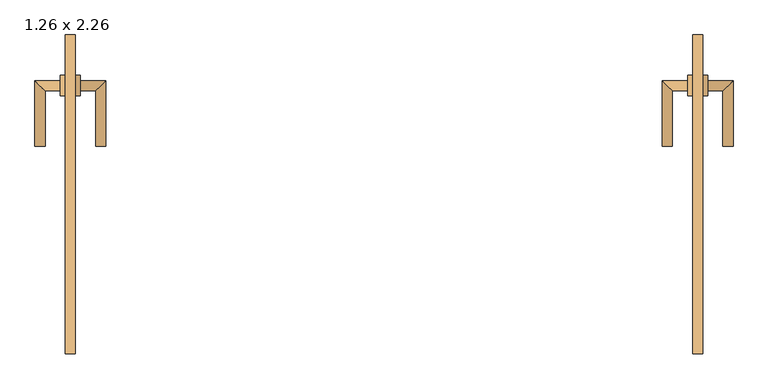
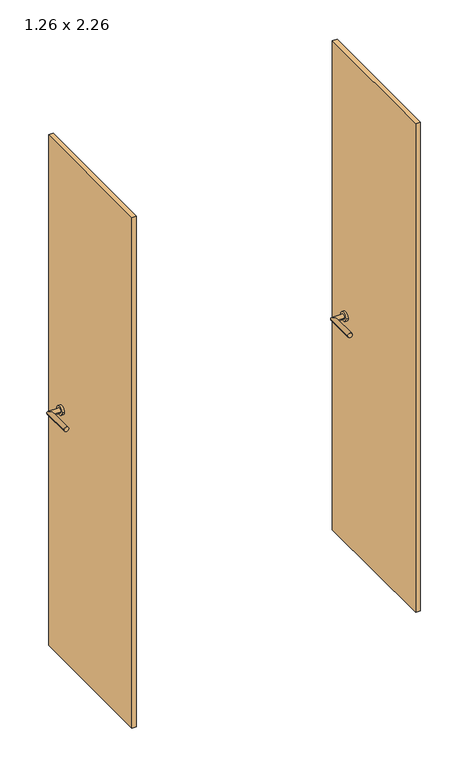
"""IFC4 building model written with IfcOpenShell, lengths in millimetres: door geometry, 1.26 x 2.26."""

from ifc_helpers import new_model, si_unit, point, frame, frame_2d, origin, origin_with_axes, place, context, project, spatial, polyline, circle_curve, ellipse_curve, trimmed, segment, composite_curve, outline, extrude, source, transform, mapped, element, save
from ifc_brep_helpers import plane_surface, cylinder_surface, advanced_brep


def door_1_26_x_2_26_0b8bbffe(model_context):
    return source(origin(), model_context, "Body", "SolidModel", [
        advanced_brep(
        [(-600.0, 704.4346141, 1150.0), (-600.0, 684.4346141, 1150.0), (-570.0, 684.4346141, 1150.0), (-550.0, 704.4346141, 1150.0), (-550.0, 574.4346141, 1150.0), (-570.0, 574.4346141, 1150.0)],
        [
            (0, 1, circle_curve(frame((-600.0, 694.4346141, 1150.0), z_axis=(-1.0, 0.0, 0.0), x_axis=(0.0, -1.0000000000000002, 0.0)), 10.0)),
            (1, 0, circle_curve(frame((-600.0, 694.4346141, 1150.0), z_axis=(-1.0, 0.0, 0.0), x_axis=(0.0, -1.0000000000000002, 0.0)), 10.0)),
            (1, 2),
            (2, 3, ellipse_curve(frame((-560.0, 694.4346141, 1150.0), z_axis=(-0.7071067811865551, 0.7071067811865399, 0.0), x_axis=(-0.7071067811865399, -0.707106781186555, 0.0)), 14.1421356, 10.0)),
            (3, 0),
            (3, 2, ellipse_curve(frame((-560.0, 694.4346141, 1150.0), z_axis=(-0.7071067811865551, 0.7071067811865399, 0.0), x_axis=(-0.7071067811865399, -0.707106781186555, 0.0)), 14.1421356, 10.0)),
            (4, 5, circle_curve(frame((-560.0, 574.4346141, 1150.0), z_axis=(0.0, -1.0, 0.0), x_axis=(-1.0000000000000002, 0.0, 0.0)), 10.0)),
            (5, 4, circle_curve(frame((-560.0, 574.4346141, 1150.0), z_axis=(0.0, -1.0, 0.0), x_axis=(-1.0000000000000002, 0.0, 0.0)), 10.0)),
            (2, 5),
            (4, 3),
        ],
        [
            plane_surface(frame((-600.0, 694.4346141, -137.7526403), z_axis=(-1.0, 0.0, 0.0), x_axis=(0.0, 0.0, 1.0))),
            cylinder_surface(frame((-600.0, 694.4346141, 1150.0), z_axis=(-1.0000000000000002, 0.0, 0.0), x_axis=(0.0, -1.0000000000000002, 0.0)), 10.0),
            plane_surface(frame((-560.0, 574.4346141, -137.7526403), z_axis=(0.0, -1.0, 0.0), x_axis=(0.0, 0.0, 1.0))),
            cylinder_surface(frame((-560.0, 694.4346141, 1150.0), z_axis=(0.0, 1.0000000000000002, 0.0), x_axis=(-1.0000000000000002, 0.0, 0.0)), 10.0),
        ],
        [
            (0, [[1, 2]]),
            (1, [[3, 4, 5, -2]]),
            (1, [[-5, 6, -3, -1]]),
            (2, [[7, 8]]),
            (3, [[9, -7, 10, -4]]),
            (3, [[-10, -8, -9, -6]]),
        ],
    ),
        extrude(outline(composite_curve([segment(trimmed(circle_curve(frame_2d((694.4346141, 1150.0)), 20.0), [point((714.4346141, 1150.0))], [point((674.4346141, 1150.0))], False, "CARTESIAN"), True, "CONTINUOUS"), segment(trimmed(circle_curve(frame_2d((694.4346141, 1150.0)), 20.0), [point((674.4346141, 1150.0))], [point((714.4346141, 1150.0))], False, "CARTESIAN"), True, "CONTINUOUS")], self_intersect=False)), frame((-610.0, 0.0, 0.0), z_axis=(1.0, 0.0, 0.0), x_axis=(0.0, 1.0, 0.0)), (0.0, 0.0, 1.0), 10.0),
        advanced_brep(
        [(-640.0, 684.4346141, 1150.0), (-640.0, 704.4346141, 1150.0), (-690.0, 704.4346141, 1150.0), (-670.0, 684.4346141, 1150.0), (-670.0, 574.4346141, 1150.0), (-690.0, 574.4346141, 1150.0)],
        [
            (0, 1, circle_curve(frame((-640.0, 694.4346141, 1150.0), z_axis=(1.0, 0.0, 0.0), x_axis=(0.0, 1.0000000000000002, 0.0)), 10.0)),
            (1, 0, circle_curve(frame((-640.0, 694.4346141, 1150.0), z_axis=(1.0, 0.0, 0.0), x_axis=(0.0, 1.0000000000000002, 0.0)), 10.0)),
            (1, 2),
            (2, 3, ellipse_curve(frame((-680.0, 694.4346141, 1150.0), z_axis=(0.7071067811865488, 0.7071067811865462, 0.0), x_axis=(0.7071067811865462, -0.7071067811865487, 0.0)), 14.1421356, 10.0)),
            (3, 0),
            (3, 2, ellipse_curve(frame((-680.0, 694.4346141, 1150.0), z_axis=(0.7071067811865488, 0.7071067811865462, 0.0), x_axis=(0.7071067811865462, -0.7071067811865487, 0.0)), 14.1421356, 10.0)),
            (4, 5, circle_curve(frame((-680.0, 574.4346141, 1150.0), z_axis=(0.0, -1.0, 0.0), x_axis=(-1.0000000000000002, 0.0, 0.0)), 10.0)),
            (5, 4, circle_curve(frame((-680.0, 574.4346141, 1150.0), z_axis=(0.0, -1.0, 0.0), x_axis=(-1.0000000000000002, 0.0, 0.0)), 10.0)),
            (2, 5),
            (4, 3),
        ],
        [
            plane_surface(frame((-640.0, 694.4346141, -137.7526403), z_axis=(1.0, 0.0, 0.0), x_axis=(0.0, 0.0, 1.0))),
            cylinder_surface(frame((-640.0, 694.4346141, 1150.0), z_axis=(1.0000000000000002, 0.0, 0.0), x_axis=(0.0, 1.0000000000000002, 0.0)), 10.0),
            plane_surface(frame((-680.0, 574.4346141, -137.7526403), z_axis=(0.0, -1.0, 0.0), x_axis=(0.0, 0.0, 1.0))),
            cylinder_surface(frame((-680.0, 694.4346141, 1150.0), z_axis=(0.0, 1.0000000000000002, 0.0), x_axis=(-1.0000000000000002, 0.0, 0.0)), 10.0),
        ],
        [
            (0, [[1, 2]]),
            (1, [[3, 4, 5, -2]]),
            (1, [[-5, 6, -3, -1]]),
            (2, [[7, 8]]),
            (3, [[9, -7, 10, -4]]),
            (3, [[-10, -8, -9, -6]]),
        ],
    ),
        extrude(outline(composite_curve([segment(trimmed(circle_curve(frame_2d((694.4346141, 1150.0)), 20.0), [point((714.4346141, 1150.0))], [point((674.4346141, 1150.0))], False, "CARTESIAN"), True, "CONTINUOUS"), segment(trimmed(circle_curve(frame_2d((694.4346141, 1150.0)), 20.0), [point((674.4346141, 1150.0))], [point((714.4346141, 1150.0))], False, "CARTESIAN"), True, "CONTINUOUS")], self_intersect=False)), frame((-640.0, 0.0, 0.0), z_axis=(1.0, 0.0, 0.0), x_axis=(0.0, 1.0, 0.0)), (0.0, 0.0, 1.0), 10.0),
        advanced_brep(
        [(600.0, 704.4346141, 1150.0), (600.0, 684.4346141, 1150.0), (550.0, 704.4346141, 1150.0), (570.0, 684.4346141, 1150.0), (550.0, 574.4346141, 1150.0), (570.0, 574.4346141, 1150.0)],
        [
            (0, 1, circle_curve(frame((600.0, 694.4346141, 1150.0), z_axis=(1.0, 0.0, 0.0), x_axis=(0.0, -1.0000000000000002, 0.0)), 10.0)),
            (1, 0, circle_curve(frame((600.0, 694.4346141, 1150.0), z_axis=(1.0, 0.0, 0.0), x_axis=(0.0, -1.0000000000000002, 0.0)), 10.0)),
            (0, 2),
            (2, 3, ellipse_curve(frame((560.0, 694.4346141, 1150.0), z_axis=(0.7071067811865551, 0.7071067811865399, 0.0), x_axis=(0.7071067811865399, -0.707106781186555, 0.0)), 14.1421356, 10.0)),
            (3, 1),
            (3, 2, ellipse_curve(frame((560.0, 694.4346141, 1150.0), z_axis=(0.7071067811865551, 0.7071067811865399, 0.0), x_axis=(0.7071067811865399, -0.707106781186555, 0.0)), 14.1421356, 10.0)),
            (4, 5, circle_curve(frame((560.0, 574.4346141, 1150.0), z_axis=(0.0, -1.0, 0.0), x_axis=(1.0000000000000002, 0.0, 0.0)), 10.0)),
            (5, 4, circle_curve(frame((560.0, 574.4346141, 1150.0), z_axis=(0.0, -1.0, 0.0), x_axis=(1.0000000000000002, 0.0, 0.0)), 10.0)),
            (2, 4),
            (5, 3),
        ],
        [
            plane_surface(frame((600.0, 694.4346141, -137.7526403), z_axis=(1.0, 0.0, 0.0), x_axis=(0.0, 0.0, 1.0))),
            cylinder_surface(frame((600.0, 694.4346141, 1150.0), z_axis=(1.0000000000000002, 0.0, 0.0), x_axis=(0.0, -1.0000000000000002, 0.0)), 10.0),
            plane_surface(frame((560.0, 574.4346141, -137.7526403), z_axis=(0.0, -1.0, 0.0), x_axis=(0.0, 0.0, 1.0))),
            cylinder_surface(frame((560.0, 694.4346141, 1150.0), z_axis=(0.0, 1.0000000000000002, 0.0), x_axis=(1.0000000000000002, 0.0, 0.0)), 10.0),
        ],
        [
            (0, [[1, 2]]),
            (1, [[-1, 3, 4, 5]]),
            (1, [[-2, -5, 6, -3]]),
            (2, [[7, 8]]),
            (3, [[-4, 9, -8, 10]]),
            (3, [[-6, -10, -7, -9]]),
        ],
    ),
        extrude(outline(composite_curve([segment(trimmed(circle_curve(frame_2d((694.4346141, 1150.0)), 20.0), [point((714.4346141, 1150.0))], [point((674.4346141, 1150.0))], False, "CARTESIAN"), True, "CONTINUOUS"), segment(trimmed(circle_curve(frame_2d((694.4346141, 1150.0)), 20.0), [point((674.4346141, 1150.0))], [point((714.4346141, 1150.0))], False, "CARTESIAN"), True, "CONTINUOUS")], self_intersect=False)), frame((600.0, 0.0, 0.0), z_axis=(1.0, 0.0, 0.0), x_axis=(0.0, 1.0, 0.0)), (0.0, 0.0, 1.0), 10.0),
        advanced_brep(
        [(640.0, 684.4346141, 1150.0), (640.0, 704.4346141, 1150.0), (670.0, 684.4346141, 1150.0), (690.0, 704.4346141, 1150.0), (670.0, 574.4346141, 1150.0), (690.0, 574.4346141, 1150.0)],
        [
            (0, 1, circle_curve(frame((640.0, 694.4346141, 1150.0), z_axis=(-1.0, 0.0, 0.0), x_axis=(0.0, 1.0000000000000002, 0.0)), 10.0)),
            (1, 0, circle_curve(frame((640.0, 694.4346141, 1150.0), z_axis=(-1.0, 0.0, 0.0), x_axis=(0.0, 1.0000000000000002, 0.0)), 10.0)),
            (0, 2),
            (2, 3, ellipse_curve(frame((680.0, 694.4346141, 1150.0), z_axis=(-0.7071067811865488, 0.7071067811865462, 0.0), x_axis=(-0.7071067811865462, -0.7071067811865487, 0.0)), 14.1421356, 10.0)),
            (3, 1),
            (3, 2, ellipse_curve(frame((680.0, 694.4346141, 1150.0), z_axis=(-0.7071067811865488, 0.7071067811865462, 0.0), x_axis=(-0.7071067811865462, -0.7071067811865487, 0.0)), 14.1421356, 10.0)),
            (4, 5, circle_curve(frame((680.0, 574.4346141, 1150.0), z_axis=(0.0, -1.0, 0.0), x_axis=(1.0000000000000002, 0.0, 0.0)), 10.0)),
            (5, 4, circle_curve(frame((680.0, 574.4346141, 1150.0), z_axis=(0.0, -1.0, 0.0), x_axis=(1.0000000000000002, 0.0, 0.0)), 10.0)),
            (2, 4),
            (5, 3),
        ],
        [
            plane_surface(frame((640.0, 694.4346141, -137.7526403), z_axis=(-1.0, 0.0, 0.0), x_axis=(0.0, 0.0, 1.0))),
            cylinder_surface(frame((640.0, 694.4346141, 1150.0), z_axis=(-1.0000000000000002, 0.0, 0.0), x_axis=(0.0, 1.0000000000000002, 0.0)), 10.0),
            plane_surface(frame((680.0, 574.4346141, -137.7526403), z_axis=(0.0, -1.0, 0.0), x_axis=(0.0, 0.0, 1.0))),
            cylinder_surface(frame((680.0, 694.4346141, 1150.0), z_axis=(0.0, 1.0000000000000002, 0.0), x_axis=(1.0000000000000002, 0.0, 0.0)), 10.0),
        ],
        [
            (0, [[1, 2]]),
            (1, [[-1, 3, 4, 5]]),
            (1, [[-2, -5, 6, -3]]),
            (2, [[7, 8]]),
            (3, [[-4, 9, -8, 10]]),
            (3, [[-6, -10, -7, -9]]),
        ],
    ),
        extrude(outline(composite_curve([segment(trimmed(circle_curve(frame_2d((694.4346141, 1150.0)), 20.0), [point((714.4346141, 1150.0))], [point((674.4346141, 1150.0))], False, "CARTESIAN"), True, "CONTINUOUS"), segment(trimmed(circle_curve(frame_2d((694.4346141, 1150.0)), 20.0), [point((674.4346141, 1150.0))], [point((714.4346141, 1150.0))], False, "CARTESIAN"), True, "CONTINUOUS")], self_intersect=False)), frame((630.0, 0.0, 0.0), z_axis=(1.0, 0.0, 0.0), x_axis=(0.0, 1.0, 0.0)), (0.0, 0.0, 1.0), 10.0),
        extrude(outline(polyline([(-610.0, 164.4346141), (-630.0, 164.4346141), (-630.0, 794.4346141), (-610.0, 794.4346141), (-610.0, 164.4346141)])), origin_with_axes(), (0.0, 0.0, 1.0), 2360.0),
        extrude(outline(polyline([(610.0, 164.4346141), (610.0, 794.4346141), (630.0, 794.4346141), (630.0, 164.4346141), (610.0, 164.4346141)])), frame((0.0, 0.0, 100.0), z_axis=(0.0, 0.0, 1.0), x_axis=(1.0, 0.0, 0.0)), (0.0, 0.0, 1.0), 2260.0),
    ])


if __name__ == "__main__":
    model = new_model("IFC4")
    model_context = context("Model", 3, world=origin())
    ifc_project = project(units=[si_unit("LENGTHUNIT", "METRE", prefix="MILLI")], contexts=[model_context])
    site = spatial("IfcSite", under=ifc_project)
    building = spatial("IfcBuilding", under=site)
    placement = place(None, origin())
    door_1_26_x_2_26_shape = door_1_26_x_2_26_0b8bbffe(model_context)
    element("IfcDoor", 1, ObjectType="1.26 x 2.26", at=placement, inside=building, context=model_context, shape_type="MappedRepresentation", body=[
        mapped(door_1_26_x_2_26_shape, transform((0.0, 0.0, 0.0), x_axis=(1.0, 0.0, 0.0), y_axis=(0.0, 1.0, 0.0), z_axis=(0.0, 0.0, 1.0))),
    ])
    save(model, "model.ifc")
